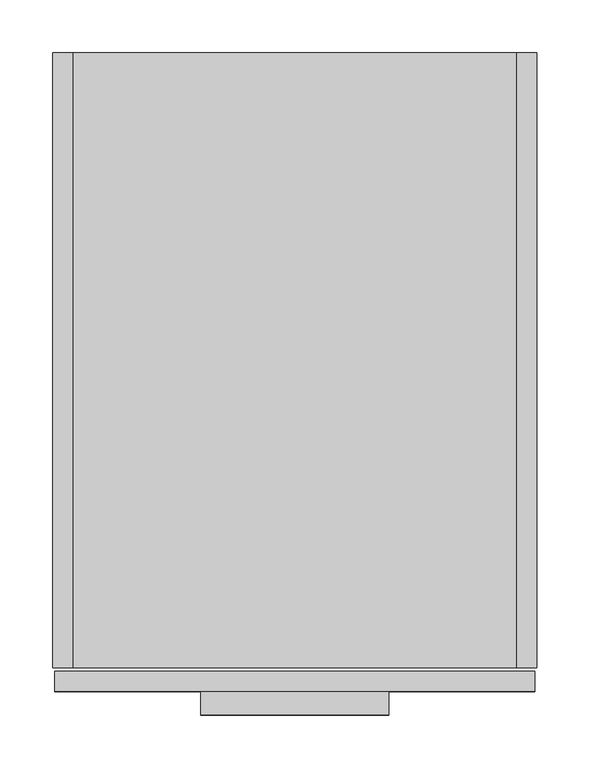
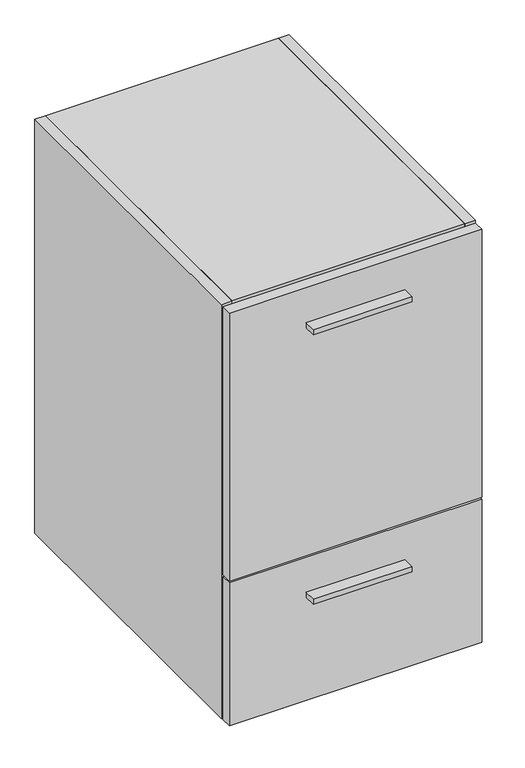
"""IFC4 building model written with IfcOpenShell, lengths in millimetres: furniture geometry."""

from ifc_helpers import new_model, si_unit, frame, origin, place, context, project, spatial, polyline, outline, extrude, source, transform, mapped, element, save


def furniture_f191abaf(model_context):
    return source(origin(), model_context, "Body", "SweptSolid", [
        extrude(outline(polyline([(317.5, -625.729), (139.7, -625.729), (139.7, -603.504), (317.5, -603.504), (317.5, -625.729)])), frame((0.0, 0.0, 297.3451), z_axis=(0.0, 0.0, 1.0), x_axis=(1.0, 0.0, 0.0)), (0.0, 0.0, 1.0), 9.525),
        extrude(outline(polyline([(317.5, -625.729), (139.7, -625.729), (139.7, -603.504), (317.5, -603.504), (317.5, -625.729)])), frame((0.0, 0.0, 809.9425), z_axis=(0.0, 0.0, 1.0), x_axis=(1.0, 0.0, 0.0)), (0.0, 0.0, 1.0), 9.525),
        extrude(outline(polyline([(437.896, 0.0), (437.896, -19.304), (19.304, -19.304), (19.304, 0.0), (437.896, 0.0)])), frame((0.0, 0.0, 101.6), z_axis=(0.0, 0.0, 1.0), x_axis=(1.0, 0.0, 0.0)), (0.0, 0.0, 1.0), 768.096),
        extrude(outline(polyline([(437.896, -581.025), (19.304, -581.025), (19.304, -19.304), (437.896, -19.304), (437.896, -581.025)])), frame((0.0, 0.0, 101.6), z_axis=(0.0, 0.0, 1.0), x_axis=(1.0, 0.0, 0.0)), (0.0, 0.0, 1.0), 19.304),
        extrude(outline(polyline([(437.896, -581.025), (19.304, -581.025), (19.304, 0.0), (437.896, 0.0), (437.896, -581.025)])), frame((0.0, 0.0, 869.696), z_axis=(0.0, 0.0, 1.0), x_axis=(1.0, 0.0, 0.0)), (0.0, 0.0, 1.0), 19.304),
        extrude(outline(polyline([(19.304, 0.0), (19.304, -581.025), (0.0, -581.025), (0.0, 0.0), (19.304, 0.0)])), frame((0.0, 0.0, 101.6), z_axis=(0.0, 0.0, 1.0), x_axis=(1.0, 0.0, 0.0)), (0.0, 0.0, 1.0), 787.4),
        extrude(outline(polyline([(437.896, 0.0), (457.2, 0.0), (457.2, -581.025), (437.896, -581.025), (437.896, 0.0)])), frame((0.0, 0.0, 101.6), z_axis=(0.0, 0.0, 1.0), x_axis=(1.0, 0.0, 0.0)), (0.0, 0.0, 1.0), 787.4),
        extrude(outline(polyline([(455.6125, -603.504), (1.5875, -603.504), (1.5875, -584.2), (455.6125, -584.2), (455.6125, -603.504)])), frame((0.0, 0.0, 101.6), z_axis=(0.0, 0.0, 1.0), x_axis=(1.0, 0.0, 0.0)), (0.0, 0.0, 1.0), 271.6276),
        extrude(outline(polyline([(455.6125, -603.504), (1.5875, -603.504), (1.5875, -584.2), (455.6125, -584.2), (455.6125, -603.504)])), frame((0.0, 0.0, 376.4026), z_axis=(0.0, 0.0, 1.0), x_axis=(1.0, 0.0, 0.0)), (0.0, 0.0, 1.0), 509.4224),
    ])


if __name__ == "__main__":
    model = new_model("IFC4")
    model_context = context("Model", 3, world=origin())
    ifc_project = project(units=[si_unit("LENGTHUNIT", "METRE", prefix="MILLI")], contexts=[model_context])
    site = spatial("IfcSite", under=ifc_project)
    building = spatial("IfcBuilding", under=site)
    placement = place(None, origin())
    furniture_shape = furniture_f191abaf(model_context)
    element("IfcFurniture", 1, at=placement, inside=building, context=model_context, shape_type="MappedRepresentation", body=[
        mapped(furniture_shape, transform((0.0, 0.0, 0.0), x_axis=(1.0, 0.0, 0.0), y_axis=(0.0, 1.0, 0.0), z_axis=(0.0, 0.0, 1.0))),
    ])
    save(model, "model.ifc")
